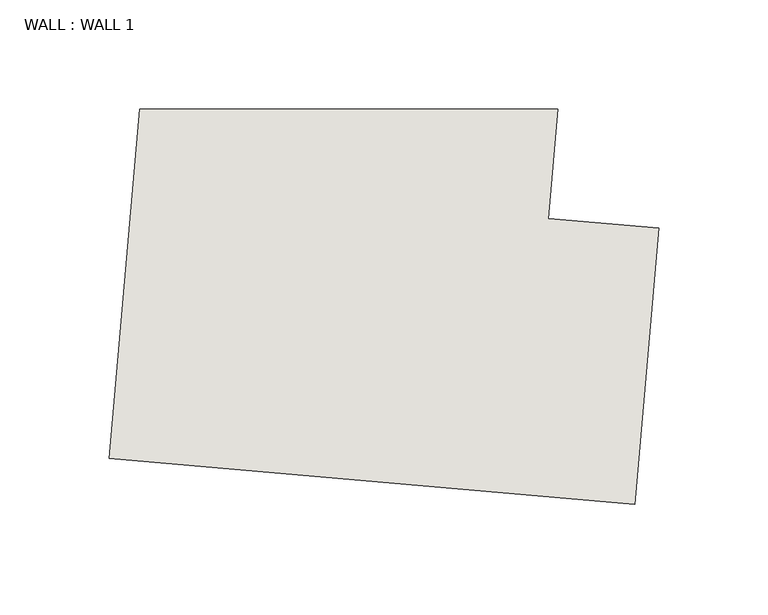
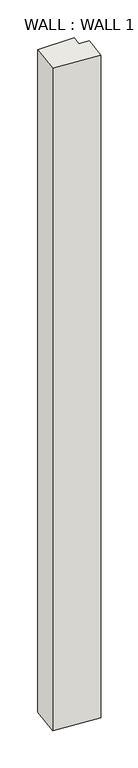
"""IFC4 building model written with IfcOpenShell, lengths in millimetres: wall geometry, WALL : WALL 1."""

from ifc_helpers import new_model, si_unit, origin, origin_with_axes, place, context, project, spatial, polyline, outline, extrude, source, transform, mapped, element, save


def wall_wall_1_638b0119(model_context):
    return source(origin(), model_context, "Body", "SweptSolid", [
        extrude(outline(polyline([(-43274.320354, -26119.9556965), (-43514.7021346, -26098.9250157), (-43500.7069772, -25938.959635), (-43309.4792982, -25938.959635), (-43313.8582653, -25989.0114581), (-43263.2515746, -25993.4389698), (-43274.320354, -26119.9556965)])), origin_with_axes(), (0.0, 0.0, 1.0), 3657.6),
    ])


if __name__ == "__main__":
    model = new_model("IFC4")
    model_context = context("Model", 3, world=origin())
    ifc_project = project(units=[si_unit("LENGTHUNIT", "METRE", prefix="MILLI")], contexts=[model_context])
    site = spatial("IfcSite", under=ifc_project)
    building = spatial("IfcBuilding", under=site)
    placement = place(None, origin())
    wall_wall_1_shape = wall_wall_1_638b0119(model_context)
    element("IfcWall", 1, ObjectType="WALL : WALL 1", at=placement, inside=building, context=model_context, shape_type="MappedRepresentation", body=[
        mapped(wall_wall_1_shape, transform((0.0, 0.0, 0.0), x_axis=(1.0, 0.0, 0.0), y_axis=(0.0, 1.0, 0.0), z_axis=(0.0, 0.0, 1.0))),
    ])
    save(model, "model.ifc")
